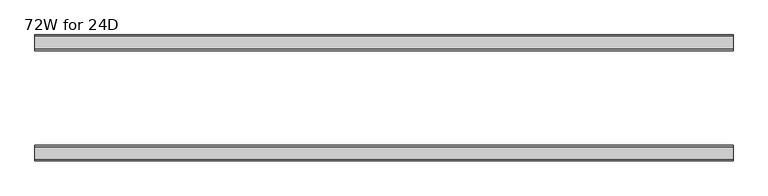
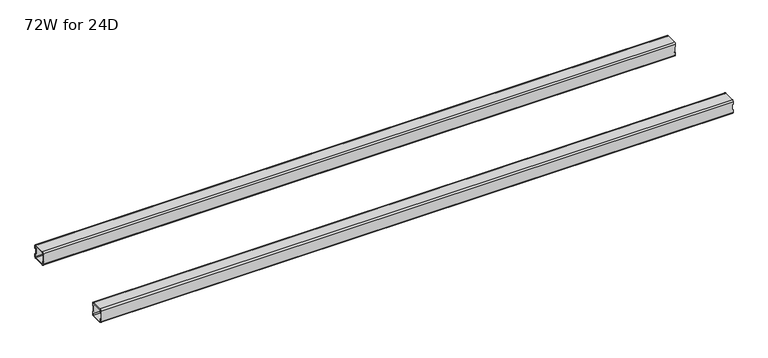
"""IFC4 building model written with IfcOpenShell, lengths in millimetres: furniture geometry, 72W for 24D."""

import ifcopenshell
import ifcopenshell.guid

model = None  # the IFC model being written
_history = None  # IfcOwnerHistory: only IFC2X3 demands one
_inside = {}  # id of a spatial element -> (the spatial element, [elements in it])
_under = {}  # id of a project, library or spatial element -> (it, [spatial elements below it])
_declared = {}  # id of a project -> (the project, [libraries it declares])
_typed = {}  # id of a type object -> (the type object, [elements of that type])
_made_of = {}  # id of a material, layer set ... -> (it, [elements and type objects made of it])


def new_model(schema):
    """Start an empty IFC model of exactly this schema.

    Asked for "IFC4X3", IfcOpenShell would pick the latest addendum, in which some entities
    have other attributes; the version numbers below select the first issue.
    IFC2X3 requires an IfcOwnerHistory on every rooted entity: one is made here for all.
    """
    global model, _history
    if schema == "IFC4X3":
        model = ifcopenshell.file(schema_version=(4, 3, 0, 0))
    else:
        model = ifcopenshell.file(schema=schema)
    _inside.clear()
    _under.clear()
    _declared.clear()
    _typed.clear()
    _made_of.clear()
    _history = None
    if model.schema == "IFC2X3":
        org = make("IfcOrganization", Name="unknown")
        user = make(
            "IfcPersonAndOrganization",
            ThePerson=make("IfcPerson", FamilyName="unknown"),
            TheOrganization=org,
        )
        app = make(
            "IfcApplication",
            ApplicationDeveloper=org,
            Version="unknown",
            ApplicationFullName="unknown",
            ApplicationIdentifier="unknown",
        )
        _history = make(
            "IfcOwnerHistory",
            OwningUser=user,
            OwningApplication=app,
            ChangeAction="ADDED",
            CreationDate=0,
        )
    return model


def make(cls, **values):
    """One entity of the class cls with the attributes given. An attribute that is None is left unset."""
    return model.create_entity(
        cls, **{name: value for name, value in values.items() if value is not None}
    )


def rooted(cls, **values):
    """An entity with a GlobalId (a new one), such as an element, a storey or a relation."""
    return make(cls, GlobalId=ifcopenshell.guid.new(), OwnerHistory=_history, **values)


def si_unit(unit_type, name, prefix=None):
    """IfcSIUnit, for example si_unit("LENGTHUNIT", "METRE", prefix="MILLI")."""
    return make("IfcSIUnit", UnitType=unit_type, Prefix=prefix, Name=name)


def assignment(units):
    """IfcUnitAssignment: the units of a project."""
    return None if units is None else make("IfcUnitAssignment", Units=units)


def point(xyz):
    """IfcCartesianPoint."""
    return None if xyz is None else make("IfcCartesianPoint", Coordinates=xyz)


def direction(xyz):
    """IfcDirection."""
    return None if xyz is None else make("IfcDirection", DirectionRatios=xyz)


def frame(location, z_axis=None, x_axis=None):
    """IfcAxis2Placement3D, a coordinate frame: its origin and axes. An axis left out is left unset."""
    return make(
        "IfcAxis2Placement3D",
        Location=point(location),
        Axis=direction(z_axis),
        RefDirection=direction(x_axis),
    )


def origin():
    """The frame at (0, 0, 0) with its axes left unset."""
    return frame((0.0, 0.0, 0.0))


def place(relative_to, where):
    """IfcLocalPlacement: puts the frame where relative to a parent placement (None: the world)."""
    return make(
        "IfcLocalPlacement", PlacementRelTo=relative_to, RelativePlacement=where
    )


def context(
    kind, dimensions, precision=None, world=None, true_north=None, identifier=None
):
    """IfcGeometricRepresentationContext, for example the 3D "Model" context."""
    return make(
        "IfcGeometricRepresentationContext",
        ContextIdentifier=identifier,
        ContextType=kind,
        CoordinateSpaceDimension=dimensions,
        Precision=precision,
        WorldCoordinateSystem=world,
        TrueNorth=true_north,
    )


def project(units=None, contexts=None):
    """IfcProject with its units and contexts."""
    return rooted(
        "IfcProject",
        Name="project",
        RepresentationContexts=contexts,
        UnitsInContext=assignment(units),
    )


def spatial(cls, under=None, at=None, **own):
    """A site, building, storey or space (cls), placed at a placement, below another one or the project."""
    s = rooted(cls, ObjectPlacement=at, **own)
    if under is not None:
        _under.setdefault(under.id(), (under, []))[1].append(s)
    return s


def polyline(points):
    """IfcPolyline through the points."""
    return make("IfcPolyline", Points=[point(p) for p in points])


def circle_curve(where, radius):
    """IfcCircle in the frame where."""
    return make("IfcCircle", Position=where, Radius=radius)


def shape(context_of_items, identifier, shape_type, items):
    """IfcShapeRepresentation: the items that make up one representation, for example the "Body"."""
    return make(
        "IfcShapeRepresentation",
        ContextOfItems=context_of_items,
        RepresentationIdentifier=identifier,
        RepresentationType=shape_type,
        Items=items,
    )


def source(mapping_origin, context_of_items, identifier, shape_type, items):
    """IfcRepresentationMap: a shape defined once, which mapped items show again and again."""
    return make(
        "IfcRepresentationMap",
        MappingOrigin=mapping_origin,
        MappedRepresentation=shape(context_of_items, identifier, shape_type, items),
    )


def transform(
    local_origin,
    x_axis=None,
    y_axis=None,
    z_axis=None,
    scale=None,
    scale2=None,
    scale3=None,
    uniform=True,
):
    """IfcCartesianTransformationOperator3D, or its non-uniform kind. x_axis, y_axis, z_axis: its Axis1, 2, 3."""
    if uniform:
        return make(
            "IfcCartesianTransformationOperator3D",
            Axis1=direction(x_axis),
            Axis2=direction(y_axis),
            LocalOrigin=point(local_origin),
            Scale=scale,
            Axis3=direction(z_axis),
        )
    return make(
        "IfcCartesianTransformationOperator3DnonUniform",
        Axis1=direction(x_axis),
        Axis2=direction(y_axis),
        LocalOrigin=point(local_origin),
        Scale=scale,
        Axis3=direction(z_axis),
        Scale2=scale2,
        Scale3=scale3,
    )


def mapped(mapping_source, mapping_target):
    """IfcMappedItem: shows the shape of a source again, moved by a transform."""
    return make(
        "IfcMappedItem", MappingSource=mapping_source, MappingTarget=mapping_target
    )


def made_of(thing, what):
    """Note that an element or type object is made of a material, layer set ...; save() writes the relation."""
    if what is not None:
        _made_of.setdefault(what.id(), (what, []))[1].append(thing)
    return thing


def element(
    cls,
    number,
    at=None,
    inside=None,
    cuts=None,
    type_object=None,
    material=None,
    context=None,
    identifier="Body",
    shape_type=None,
    held_by="IfcProductDefinitionShape",
    body=None,
    shapes=None,
    **own,
):
    """One element of the class cls, such as IfcWall. Its Tag is "e" and its number.

    at: its placement. inside: the storey or other place that contains it. cuts: it is an
    opening in that element (IfcRelVoidsElement). A single representation is given by context,
    identifier, shape_type and body (its items); several are given by shapes. held_by: the class
    of the entity that holds the representations. save() writes the other relations.
    """
    e = rooted(cls, Tag="e%d" % number, ObjectPlacement=at, **own)
    if body is not None:
        shapes = [shape(context, identifier, shape_type, body)]
    if shapes is not None:
        e.Representation = make(held_by, Representations=shapes)
    if inside is not None:
        _inside.setdefault(inside.id(), (inside, []))[1].append(e)
    if cuts is not None:
        rooted(
            "IfcRelVoidsElement", RelatingBuildingElement=cuts, RelatedOpeningElement=e
        )
    if type_object is not None:
        _typed.setdefault(type_object.id(), (type_object, []))[1].append(e)
    return made_of(e, material)


def aggregate(whole, parts):
    """IfcRelAggregates: a whole, such as a stair, and the parts it consists of."""
    return rooted("IfcRelAggregates", RelatingObject=whole, RelatedObjects=parts)


def save(model, path):
    """Write the relations noted so far, then the file.

    IfcRelAggregates (storeys below a building ...), IfcRelContainedInSpatialStructure (elements
    in a storey), IfcRelDefinesByType, IfcRelAssociatesMaterial and IfcRelDeclares: one each for
    every whole, place, type object, material and project.
    """
    for whole, parts in _under.values():
        aggregate(whole, parts)
    for where, things in _inside.values():
        rooted(
            "IfcRelContainedInSpatialStructure",
            RelatedElements=things,
            RelatingStructure=where,
        )
    for kind, things in _typed.values():
        rooted("IfcRelDefinesByType", RelatedObjects=things, RelatingType=kind)
    for what, things in _made_of.values():
        rooted("IfcRelAssociatesMaterial", RelatedObjects=things, RelatingMaterial=what)
    for by, libraries in _declared.values():
        rooted("IfcRelDeclares", RelatingContext=by, RelatedDefinitions=libraries)
    model.write(path)


def plane_surface(at):
    """IfcPlane: the flat surface through the origin of the frame at, square to its z axis."""
    return make("IfcPlane", Position=at)


def cylinder_surface(at, radius):
    """IfcCylindricalSurface: all points at the distance radius from the z axis of the frame at."""
    return make("IfcCylindricalSurface", Position=at, Radius=radius)


def revolved_surface(curve, axis_point, axis_direction):
    """IfcSurfaceOfRevolution: the curve turned about the line through axis_point along axis_direction."""
    return make(
        "IfcSurfaceOfRevolution",
        SweptCurve=make("IfcArbitraryOpenProfileDef", ProfileType="CURVE", Curve=curve),
        AxisPosition=make("IfcAxis1Placement", Location=point(axis_point), Axis=direction(axis_direction)),
    )


def advanced_brep(points, edges, surfaces, faces):
    """IfcAdvancedBrep: a solid bounded by faces that lie on surfaces and meet in shared edges.

    An edge is (start, end): straight between two places in points (the first is 0);
    or (start, end, curve); or (start, end, curve, False) where it runs against its curve.
    A face is (place in surfaces, loops), or (place, loops, False) where it looks against
    its surface's normal. A loop lists edges by number (the first is 1), with a minus sign
    where the edge is run from its end to its start. The first loop is the outer one.
    """
    corners = [point(p) for p in points]
    vertices = [make("IfcVertexPoint", VertexGeometry=c) for c in corners]
    made = []
    for start, end, *more in edges:
        made.append(
            make(
                "IfcEdgeCurve",
                EdgeStart=vertices[start],
                EdgeEnd=vertices[end],
                EdgeGeometry=more[0] if more else make("IfcPolyline", Points=[corners[start], corners[end]]),
                SameSense=more[1] if len(more) > 1 else True,
            )
        )
    hull = []
    for where, loops, *sense in faces:
        bounds = []
        for j, loop in enumerate(loops):
            ring = [make("IfcOrientedEdge", EdgeElement=made[abs(k) - 1], Orientation=k > 0) for k in loop]
            bounds.append(
                make(
                    "IfcFaceOuterBound" if j == 0 else "IfcFaceBound",
                    Bound=make("IfcEdgeLoop", EdgeList=ring),
                    Orientation=True,
                )
            )
        hull.append(make("IfcAdvancedFace", Bounds=bounds, FaceSurface=surfaces[where], SameSense=sense[0] if sense else True))
    return make("IfcAdvancedBrep", Outer=make("IfcClosedShell", CfsFaces=hull))


def furniture_72w_for_24d_ca489a4e(model_context):
    return source(origin(), model_context, "Body", "AdvancedBrep", [
        advanced_brep(
        [(1803.8028, -438.5082, 653.351), (1803.8028, -440.5082, 651.351), (1803.8028, -472.5082, 651.351), (1803.8028, -474.5082, 653.351), (1803.8028, -474.5082, 660.851), (1803.8028, -476.5082, 660.851), (1803.8028, -476.5082, 653.351), (1803.8028, -472.5082, 649.351), (1803.8028, -440.5082, 649.351), (1803.8028, -436.5082, 653.351), (1803.8028, -436.5082, 660.851), (1803.8028, -438.5082, 660.851), (1803.8028, -474.5082, 684.975), (1803.8028, -472.5082, 686.975), (1803.8028, -440.5082, 686.975), (1803.8028, -438.5082, 684.975), (1803.8028, -438.5082, 677.475), (1803.8028, -436.5082, 677.475), (1803.8028, -436.5082, 684.975), (1803.8028, -440.5082, 688.975), (1803.8028, -472.5082, 688.975), (1803.8028, -476.5082, 684.975), (1803.8028, -476.5082, 677.475), (1803.8028, -474.5082, 677.475), (22.0, -438.5082, 684.975), (22.0, -440.5082, 686.975), (22.0, -472.5082, 686.975), (22.0, -474.5082, 684.975), (22.0, -474.5082, 677.475), (22.0, -476.5082, 677.475), (22.0, -476.5082, 684.975), (22.0, -472.5082, 688.975), (22.0, -440.5082, 688.975), (22.0, -436.5082, 684.975), (22.0, -436.5082, 677.475), (22.0, -438.5082, 677.475), (22.0, -474.5082, 653.351), (22.0, -472.5082, 651.351), (22.0, -440.5082, 651.351), (22.0, -438.5082, 653.351), (22.0, -438.5082, 660.851), (22.0, -436.5082, 660.851), (22.0, -436.5082, 653.351), (22.0, -440.5082, 649.351), (22.0, -472.5082, 649.351), (22.0, -476.5082, 653.351), (22.0, -476.5082, 660.851), (22.0, -474.5082, 660.851), (23.365, -474.5082, 660.851), (24.0, -474.5082, 661.486), (24.0, -474.5082, 676.84), (23.365, -474.5082, 677.475), (1802.4378, -474.5082, 677.475), (1801.8028, -474.5082, 676.84), (1801.8028, -474.5082, 661.486), (1802.4378, -474.5082, 660.851), (1802.4378, -438.5082, 660.851), (1801.8028, -438.5082, 661.486), (1801.8028, -438.5082, 676.84), (1802.4378, -438.5082, 677.475), (23.365, -438.5082, 677.475), (24.0, -438.5082, 676.84), (24.0, -438.5082, 661.486), (23.365, -438.5082, 660.851), (23.365, -476.5082, 677.475), (24.0, -476.5082, 676.84), (24.0, -476.5082, 661.486), (23.365, -476.5082, 660.851), (1802.4378, -476.5082, 660.851), (1801.8028, -476.5082, 661.486), (1801.8028, -476.5082, 676.84), (1802.4378, -476.5082, 677.475), (1802.4378, -436.5082, 677.475), (1801.8028, -436.5082, 676.84), (1801.8028, -436.5082, 661.486), (1802.4378, -436.5082, 660.851), (23.365, -436.5082, 660.851), (24.0, -436.5082, 661.486), (24.0, -436.5082, 676.84), (23.365, -436.5082, 677.475)],
        [
            (0, 1, circle_curve(frame((1803.8028, -440.5082, 653.351), z_axis=(-1.0, 0.0, 0.0), x_axis=(0.0, 1.0, 0.0)), 2.0)),
            (1, 2),
            (2, 3, circle_curve(frame((1803.8028, -472.5082, 653.351), z_axis=(-1.0, 0.0, 0.0), x_axis=(0.0, 1.0, 0.0)), 2.0)),
            (3, 4),
            (4, 5),
            (5, 6),
            (6, 7, circle_curve(frame((1803.8028, -472.5082, 653.351), z_axis=(1.0, 0.0, 0.0), x_axis=(0.0, 1.0, 0.0)), 4.0)),
            (7, 8),
            (8, 9, circle_curve(frame((1803.8028, -440.5082, 653.351), z_axis=(1.0, 0.0, 0.0), x_axis=(0.0, 1.0, 0.0)), 4.0)),
            (9, 10),
            (10, 11),
            (11, 0),
            (12, 13, circle_curve(frame((1803.8028, -472.5082, 684.975), z_axis=(-1.0, 0.0, 0.0), x_axis=(0.0, 1.0, 0.0)), 2.0)),
            (13, 14),
            (14, 15, circle_curve(frame((1803.8028, -440.5082, 684.975), z_axis=(-1.0, 0.0, 0.0), x_axis=(0.0, 1.0, 0.0)), 2.0)),
            (15, 16),
            (16, 17),
            (17, 18),
            (18, 19, circle_curve(frame((1803.8028, -440.5082, 684.975), z_axis=(1.0, 0.0, 0.0), x_axis=(0.0, 1.0, 0.0)), 4.0)),
            (19, 20),
            (20, 21, circle_curve(frame((1803.8028, -472.5082, 684.975), z_axis=(1.0, 0.0, 0.0), x_axis=(0.0, 1.0, 0.0)), 4.0)),
            (21, 22),
            (22, 23),
            (23, 12),
            (24, 25, circle_curve(frame((22.0, -440.5082, 684.975), z_axis=(1.0, 0.0, 0.0), x_axis=(0.0, 1.0, 0.0)), 2.0)),
            (25, 26),
            (26, 27, circle_curve(frame((22.0, -472.5082, 684.975), z_axis=(1.0, 0.0, 0.0), x_axis=(0.0, 1.0, 0.0)), 2.0)),
            (27, 28),
            (28, 29),
            (29, 30),
            (30, 31, circle_curve(frame((22.0, -472.5082, 684.975), z_axis=(-1.0, 0.0, 0.0), x_axis=(0.0, 1.0, 0.0)), 4.0)),
            (31, 32),
            (32, 33, circle_curve(frame((22.0, -440.5082, 684.975), z_axis=(-1.0, 0.0, 0.0), x_axis=(0.0, 1.0, 0.0)), 4.0)),
            (33, 34),
            (34, 35),
            (35, 24),
            (36, 37, circle_curve(frame((22.0, -472.5082, 653.351), z_axis=(1.0, 0.0, 0.0), x_axis=(0.0, 1.0, 0.0)), 2.0)),
            (37, 38),
            (38, 39, circle_curve(frame((22.0, -440.5082, 653.351), z_axis=(1.0, 0.0, 0.0), x_axis=(0.0, 1.0, 0.0)), 2.0)),
            (39, 40),
            (40, 41),
            (41, 42),
            (42, 43, circle_curve(frame((22.0, -440.5082, 653.351), z_axis=(-1.0, 0.0, 0.0), x_axis=(0.0, 1.0, 0.0)), 4.0)),
            (43, 44),
            (44, 45, circle_curve(frame((22.0, -472.5082, 653.351), z_axis=(-1.0, 0.0, 0.0), x_axis=(0.0, 1.0, 0.0)), 4.0)),
            (45, 46),
            (46, 47),
            (47, 36),
            (0, 39),
            (38, 1),
            (37, 2),
            (36, 3),
            (47, 48),
            (48, 49, circle_curve(frame((23.365, -474.5082, 661.486), z_axis=(0.0, -1.0, 0.0), x_axis=(1.0, 0.0, 0.0)), 0.635)),
            (49, 50),
            (50, 51, circle_curve(frame((23.365, -474.5082, 676.84), z_axis=(0.0, -1.0, 0.0), x_axis=(1.0, 0.0, 0.0)), 0.635)),
            (51, 28),
            (27, 12),
            (23, 52),
            (52, 53, circle_curve(frame((1802.4378, -474.5082, 676.84), z_axis=(0.0, -1.0, 0.0), x_axis=(1.0, 0.0, 0.0)), 0.635)),
            (53, 54),
            (54, 55, circle_curve(frame((1802.4378, -474.5082, 661.486), z_axis=(0.0, -1.0, 0.0), x_axis=(1.0, 0.0, 0.0)), 0.635)),
            (55, 4),
            (26, 13),
            (25, 14),
            (24, 15),
            (11, 56),
            (56, 57, circle_curve(frame((1802.4378, -438.5082, 661.486), z_axis=(0.0, 1.0, 0.0), x_axis=(1.0, 0.0, 0.0)), 0.635)),
            (57, 58),
            (58, 59, circle_curve(frame((1802.4378, -438.5082, 676.84), z_axis=(0.0, 1.0, 0.0), x_axis=(1.0, 0.0, 0.0)), 0.635)),
            (59, 16),
            (35, 60),
            (60, 61, circle_curve(frame((23.365, -438.5082, 676.84), z_axis=(0.0, 1.0, 0.0), x_axis=(1.0, 0.0, 0.0)), 0.635)),
            (61, 62),
            (62, 63, circle_curve(frame((23.365, -438.5082, 661.486), z_axis=(0.0, 1.0, 0.0), x_axis=(1.0, 0.0, 0.0)), 0.635)),
            (63, 40),
            (18, 33),
            (32, 19),
            (31, 20),
            (30, 21),
            (29, 64),
            (64, 65, circle_curve(frame((23.365, -476.5082, 676.84), z_axis=(0.0, 1.0, 0.0), x_axis=(1.0, 0.0, 0.0)), 0.635)),
            (65, 66),
            (66, 67, circle_curve(frame((23.365, -476.5082, 661.486), z_axis=(0.0, 1.0, 0.0), x_axis=(1.0, 0.0, 0.0)), 0.635)),
            (67, 46),
            (45, 6),
            (5, 68),
            (68, 69, circle_curve(frame((1802.4378, -476.5082, 661.486), z_axis=(0.0, 1.0, 0.0), x_axis=(1.0, 0.0, 0.0)), 0.635)),
            (69, 70),
            (70, 71, circle_curve(frame((1802.4378, -476.5082, 676.84), z_axis=(0.0, 1.0, 0.0), x_axis=(1.0, 0.0, 0.0)), 0.635)),
            (71, 22),
            (44, 7),
            (43, 8),
            (42, 9),
            (17, 72),
            (72, 73, circle_curve(frame((1802.4378, -436.5082, 676.84), z_axis=(0.0, -1.0, 0.0), x_axis=(1.0, 0.0, 0.0)), 0.635)),
            (73, 74),
            (74, 75, circle_curve(frame((1802.4378, -436.5082, 661.486), z_axis=(0.0, -1.0, 0.0), x_axis=(1.0, 0.0, 0.0)), 0.635)),
            (75, 10),
            (41, 76),
            (76, 77, circle_curve(frame((23.365, -436.5082, 661.486), z_axis=(0.0, -1.0, 0.0), x_axis=(1.0, 0.0, 0.0)), 0.635)),
            (77, 78),
            (78, 79, circle_curve(frame((23.365, -436.5082, 676.84), z_axis=(0.0, -1.0, 0.0), x_axis=(1.0, 0.0, 0.0)), 0.635)),
            (79, 34),
            (71, 52),
            (59, 72),
            (70, 53),
            (58, 73),
            (69, 54),
            (57, 74),
            (68, 55),
            (56, 75),
            (51, 64),
            (79, 60),
            (67, 48),
            (63, 76),
            (66, 49),
            (62, 77),
            (65, 50),
            (61, 78),
        ],
        [
            plane_surface(frame((1803.8028, -438.5082, 653.351), z_axis=(1.0, 0.0, 0.0), x_axis=(0.0, 0.0, -1.0))),
            plane_surface(frame((22.0, -438.5082, 653.351), z_axis=(-1.0, 0.0, 0.0), x_axis=(0.0, 0.0, 1.0))),
            revolved_surface(polyline([(22.0, -438.5082, 653.351), (1803.8028, -438.5082, 653.351)]), (22.0, -440.5082, 653.351), (-1.0, 0.0, 0.0)),
            plane_surface(frame((1803.8028, -440.5082, 651.351), z_axis=(0.0, -4.868672132139401e-12, 1.0), x_axis=(-1.0, 0.0, 0.0))),
            revolved_surface(polyline([(22.0, -470.5082, 653.351), (1803.8028, -470.5082, 653.351)]), (22.0, -472.5082, 653.351), (-1.0, 0.0, 0.0)),
            plane_surface(frame((1803.8028, -474.5082, 653.351), z_axis=(0.0, 1.0, 0.0), x_axis=(-1.0, 0.0, 0.0))),
            revolved_surface(polyline([(22.0, -470.5082, 684.975), (1803.8028, -470.5082, 684.975)]), (22.0, -472.5082, 684.975), (-1.0, 0.0, 0.0)),
            plane_surface(frame((1803.8028, -472.5082, 686.975), z_axis=(0.0, 0.0, -1.0), x_axis=(-1.0, 0.0, 0.0))),
            revolved_surface(polyline([(22.0, -438.5082, 684.975), (1803.8028, -438.5082, 684.975)]), (22.0, -440.5082, 684.975), (-1.0, 0.0, 0.0)),
            plane_surface(frame((1803.8028, -438.5082, 684.975), z_axis=(0.0, -1.0, 0.0), x_axis=(-1.0, 0.0, 0.0))),
            cylinder_surface(frame((0.0, -440.5082, 684.975), z_axis=(1.0, 0.0, 0.0), x_axis=(0.0, 1.0, 0.0)), 4.0),
            plane_surface(frame((1803.8028, -440.5082, 688.975), z_axis=(0.0, 0.0, 1.0), x_axis=(-1.0, 0.0, 0.0))),
            cylinder_surface(frame((0.0, -472.5082, 684.975), z_axis=(1.0, 0.0, 0.0), x_axis=(0.0, 1.0, 0.0)), 4.0),
            plane_surface(frame((1803.8028, -476.5082, 684.975), z_axis=(0.0, -1.0, 0.0), x_axis=(-1.0, 0.0, 0.0))),
            cylinder_surface(frame((0.0, -472.5082, 653.351), z_axis=(1.0, 0.0, 0.0), x_axis=(0.0, 1.0, 0.0)), 4.0),
            plane_surface(frame((1803.8028, -472.5082, 649.351), z_axis=(0.0, 0.0, -1.0), x_axis=(-1.0, 0.0, 0.0))),
            cylinder_surface(frame((0.0, -440.5082, 653.351), z_axis=(1.0, 0.0, 0.0), x_axis=(0.0, 1.0, 0.0)), 4.0),
            plane_surface(frame((1803.8028, -436.5082, 653.351), z_axis=(0.0, 1.0, -4.917998717621574e-12), x_axis=(-1.0, 0.0, 0.0))),
            plane_surface(frame((1803.8028, -476.5082, 677.475), z_axis=(1.130465684452016e-11, 0.0, -1.0), x_axis=(0.0, 1.0, 0.0))),
            revolved_surface(polyline([(1803.0728, -476.5082, 676.84), (1803.0728, -474.5082, 676.84)]), (1802.4378, -436.5082, 676.84), (0.0, -1.0, 0.0)),
            revolved_surface(polyline([(1803.0728, -438.5082, 676.84), (1803.0728, -436.5082, 676.84)]), (1802.4378, -436.5082, 676.84), (0.0, -1.0, 0.0)),
            plane_surface(frame((1801.8028, -476.5082, 676.84), z_axis=(1.0, 0.0, 0.0), x_axis=(0.0, 1.0, 0.0))),
            revolved_surface(polyline([(1803.0728, -476.5082, 661.486), (1803.0728, -474.5082, 661.486)]), (1802.4378, -436.5082, 661.486), (0.0, -1.0, 0.0)),
            revolved_surface(polyline([(1803.0728, -438.5082, 661.486), (1803.0728, -436.5082, 661.486)]), (1802.4378, -436.5082, 661.486), (0.0, -1.0, 0.0)),
            plane_surface(frame((1802.4378, -476.5082, 660.851), z_axis=(0.0, 0.0, 1.0), x_axis=(0.0, 1.0, 0.0))),
            plane_surface(frame((23.365, -476.5082, 677.475), z_axis=(0.0, 0.0, -1.0), x_axis=(0.0, 1.0, 0.0))),
            plane_surface(frame((22.0, -476.5082, 660.851), z_axis=(-1.1502984157403295e-11, 0.0, 1.0), x_axis=(0.0, 1.0, 0.0))),
            revolved_surface(polyline([(24.0, -476.5082, 661.486), (24.0, -474.5082, 661.486)]), (23.365, -436.5082, 661.486), (0.0, -1.0, 0.0)),
            revolved_surface(polyline([(24.0, -438.5082, 661.486), (24.0, -436.5082, 661.486)]), (23.365, -436.5082, 661.486), (0.0, -1.0, 0.0)),
            plane_surface(frame((24.0, -476.5082, 661.486), z_axis=(-1.0, 0.0, 0.0), x_axis=(0.0, 1.0, 0.0))),
            revolved_surface(polyline([(24.0, -476.5082, 676.84), (24.0, -474.5082, 676.84)]), (23.365, -436.5082, 676.84), (0.0, -1.0, 0.0)),
            revolved_surface(polyline([(24.0, -438.5082, 676.84), (24.0, -436.5082, 676.84)]), (23.365, -436.5082, 676.84), (0.0, -1.0, 0.0)),
        ],
        [
            (0, [[1, 2, 3, 4, 5, 6, 7, 8, 9, 10, 11, 12]]),
            (0, [[13, 14, 15, 16, 17, 18, 19, 20, 21, 22, 23, 24]]),
            (1, [[25, 26, 27, 28, 29, 30, 31, 32, 33, 34, 35, 36]]),
            (1, [[37, 38, 39, 40, 41, 42, 43, 44, 45, 46, 47, 48]]),
            (2, [[-1, 49, -39, 50]]),
            (3, [[-2, -50, -38, 51]]),
            (4, [[-3, -51, -37, 52]]),
            (5, [[-52, -48, 53, 54, 55, 56, 57, -28, 58, -24, 59, 60, 61, 62, 63, -4]]),
            (6, [[-13, -58, -27, 64]]),
            (7, [[-14, -64, -26, 65]]),
            (8, [[-15, -65, -25, 66]]),
            (9, [[-49, -12, 67, 68, 69, 70, 71, -16, -66, -36, 72, 73, 74, 75, 76, -40]]),
            (10, [[-19, 77, -33, 78]]),
            (11, [[-20, -78, -32, 79]]),
            (12, [[-21, -79, -31, 80]]),
            (13, [[-80, -30, 81, 82, 83, 84, 85, -46, 86, -6, 87, 88, 89, 90, 91, -22]]),
            (14, [[-7, -86, -45, 92]]),
            (15, [[-8, -92, -44, 93]]),
            (16, [[-9, -93, -43, 94]]),
            (17, [[-77, -18, 95, 96, 97, 98, 99, -10, -94, -42, 100, 101, 102, 103, 104, -34]]),
            (18, [[105, -59, -23, -91]]),
            (18, [[106, -95, -17, -71]]),
            (19, [[-105, -90, 107, -60]]),
            (20, [[-106, -70, 108, -96]]),
            (21, [[-107, -89, 109, -61]]),
            (21, [[-108, -69, 110, -97]]),
            (22, [[-109, -88, 111, -62]]),
            (23, [[-110, -68, 112, -98]]),
            (24, [[-111, -87, -5, -63]]),
            (24, [[-112, -67, -11, -99]]),
            (25, [[113, -81, -29, -57]]),
            (25, [[114, -72, -35, -104]]),
            (26, [[115, -53, -47, -85]]),
            (26, [[116, -100, -41, -76]]),
            (27, [[-115, -84, 117, -54]]),
            (28, [[-116, -75, 118, -101]]),
            (29, [[-117, -83, 119, -55]]),
            (29, [[-118, -74, 120, -102]]),
            (30, [[-113, -56, -119, -82]]),
            (31, [[-114, -103, -120, -73]]),
        ],
    ),
        advanced_brep(
        [(1803.8028, -192.9996202, 684.975), (1803.8028, -190.9996202, 686.975), (1803.8028, -159.0003798, 686.975), (1803.8028, -157.0003798, 684.975), (1803.8028, -157.0003798, 677.475), (1803.8028, -155.0003798, 677.475), (1803.8028, -155.0003798, 684.975), (1803.8028, -159.0003798, 688.975), (1803.8028, -190.9996202, 688.975), (1803.8028, -194.9996202, 684.975), (1803.8028, -194.9996202, 677.475), (1803.8028, -192.9996202, 677.475), (1803.8028, -157.0003798, 653.351), (1803.8028, -159.0003798, 651.351), (1803.8028, -190.9996202, 651.351), (1803.8028, -192.9996202, 653.351), (1803.8028, -192.9996202, 660.851), (1803.8028, -194.9996202, 660.851), (1803.8028, -194.9996202, 653.351), (1803.8028, -190.9996202, 649.351), (1803.8028, -159.0003798, 649.351), (1803.8028, -155.0003798, 653.351), (1803.8028, -155.0003798, 660.851), (1803.8028, -157.0003798, 660.851), (22.0, -192.9996202, 653.351), (22.0, -190.9996202, 651.351), (22.0, -159.0003798, 651.351), (22.0, -157.0003798, 653.351), (22.0, -157.0003798, 660.851), (22.0, -155.0003798, 660.851), (22.0, -155.0003798, 653.351), (22.0, -159.0003798, 649.351), (22.0, -190.9996202, 649.351), (22.0, -194.9996202, 653.351), (22.0, -194.9996202, 660.851), (22.0, -192.9996202, 660.851), (22.0, -157.0003798, 684.975), (22.0, -159.0003798, 686.975), (22.0, -190.9996202, 686.975), (22.0, -192.9996202, 684.975), (22.0, -192.9996202, 677.475), (22.0, -194.9996202, 677.475), (22.0, -194.9996202, 684.975), (22.0, -190.9996202, 688.975), (22.0, -159.0003798, 688.975), (22.0, -155.0003798, 684.975), (22.0, -155.0003798, 677.475), (22.0, -157.0003798, 677.475), (1802.4378, -157.0003798, 660.851), (1801.8028, -157.0003798, 661.486), (1801.8028, -157.0003798, 676.84), (1802.4378, -157.0003798, 677.475), (23.365, -157.0003798, 677.475), (24.0, -157.0003798, 676.84), (24.0, -157.0003798, 661.486), (23.365, -157.0003798, 660.851), (23.365, -192.9996202, 660.851), (24.0, -192.9996202, 661.486), (24.0, -192.9996202, 676.84), (23.365, -192.9996202, 677.475), (1802.4378, -192.9996202, 677.475), (1801.8028, -192.9996202, 676.84), (1801.8028, -192.9996202, 661.486), (1802.4378, -192.9996202, 660.851), (1802.4378, -155.0003798, 677.475), (1801.8028, -155.0003798, 676.84), (1801.8028, -155.0003798, 661.486), (1802.4378, -155.0003798, 660.851), (23.365, -155.0003798, 660.851), (24.0, -155.0003798, 661.486), (24.0, -155.0003798, 676.84), (23.365, -155.0003798, 677.475), (23.365, -194.9996202, 677.475), (24.0, -194.9996202, 676.84), (24.0, -194.9996202, 661.486), (23.365, -194.9996202, 660.851), (1802.4378, -194.9996202, 660.851), (1801.8028, -194.9996202, 661.486), (1801.8028, -194.9996202, 676.84), (1802.4378, -194.9996202, 677.475)],
        [
            (0, 1, circle_curve(frame((1803.8028, -190.9996202, 684.975), z_axis=(-1.0, 0.0, 0.0), x_axis=(0.0, -1.0, 0.0)), 2.0)),
            (1, 2),
            (2, 3, circle_curve(frame((1803.8028, -159.0003798, 684.975), z_axis=(-1.0, 0.0, 0.0), x_axis=(0.0, -1.0, 0.0)), 2.0)),
            (3, 4),
            (4, 5),
            (5, 6),
            (6, 7, circle_curve(frame((1803.8028, -159.0003798, 684.975), z_axis=(1.0, 0.0, 0.0), x_axis=(0.0, -1.0, 0.0)), 4.0)),
            (7, 8),
            (8, 9, circle_curve(frame((1803.8028, -190.9996202, 684.975), z_axis=(1.0, 0.0, 0.0), x_axis=(0.0, -1.0, 0.0)), 4.0)),
            (9, 10),
            (10, 11),
            (11, 0),
            (12, 13, circle_curve(frame((1803.8028, -159.0003798, 653.351), z_axis=(-1.0, 0.0, 0.0), x_axis=(0.0, -1.0, 0.0)), 2.0)),
            (13, 14),
            (14, 15, circle_curve(frame((1803.8028, -190.9996202, 653.351), z_axis=(-1.0, 0.0, 0.0), x_axis=(0.0, -1.0, 0.0)), 2.0)),
            (15, 16),
            (16, 17),
            (17, 18),
            (18, 19, circle_curve(frame((1803.8028, -190.9996202, 653.351), z_axis=(1.0, 0.0, 0.0), x_axis=(0.0, -1.0, 0.0)), 4.0)),
            (19, 20),
            (20, 21, circle_curve(frame((1803.8028, -159.0003798, 653.351), z_axis=(1.0, 0.0, 0.0), x_axis=(0.0, -1.0, 0.0)), 4.0)),
            (21, 22),
            (22, 23),
            (23, 12),
            (24, 25, circle_curve(frame((22.0, -190.9996202, 653.351), z_axis=(1.0, 0.0, 0.0), x_axis=(0.0, -1.0, 0.0)), 2.0)),
            (25, 26),
            (26, 27, circle_curve(frame((22.0, -159.0003798, 653.351), z_axis=(1.0, 0.0, 0.0), x_axis=(0.0, -1.0, 0.0)), 2.0)),
            (27, 28),
            (28, 29),
            (29, 30),
            (30, 31, circle_curve(frame((22.0, -159.0003798, 653.351), z_axis=(-1.0, 0.0, 0.0), x_axis=(0.0, -1.0, 0.0)), 4.0)),
            (31, 32),
            (32, 33, circle_curve(frame((22.0, -190.9996202, 653.351), z_axis=(-1.0, 0.0, 0.0), x_axis=(0.0, -1.0, 0.0)), 4.0)),
            (33, 34),
            (34, 35),
            (35, 24),
            (36, 37, circle_curve(frame((22.0, -159.0003798, 684.975), z_axis=(1.0, 0.0, 0.0), x_axis=(0.0, -1.0, 0.0)), 2.0)),
            (37, 38),
            (38, 39, circle_curve(frame((22.0, -190.9996202, 684.975), z_axis=(1.0, 0.0, 0.0), x_axis=(0.0, -1.0, 0.0)), 2.0)),
            (39, 40),
            (40, 41),
            (41, 42),
            (42, 43, circle_curve(frame((22.0, -190.9996202, 684.975), z_axis=(-1.0, 0.0, 0.0), x_axis=(0.0, -1.0, 0.0)), 4.0)),
            (43, 44),
            (44, 45, circle_curve(frame((22.0, -159.0003798, 684.975), z_axis=(-1.0, 0.0, 0.0), x_axis=(0.0, -1.0, 0.0)), 4.0)),
            (45, 46),
            (46, 47),
            (47, 36),
            (14, 25),
            (24, 15),
            (13, 26),
            (12, 27),
            (23, 48),
            (48, 49, circle_curve(frame((1802.4378, -157.0003798, 661.486), z_axis=(0.0, 1.0, 0.0), x_axis=(1.0, 0.0, 0.0)), 0.635)),
            (49, 50),
            (50, 51, circle_curve(frame((1802.4378, -157.0003798, 676.84), z_axis=(0.0, 1.0, 0.0), x_axis=(1.0, 0.0, 0.0)), 0.635)),
            (51, 4),
            (3, 36),
            (47, 52),
            (52, 53, circle_curve(frame((23.365, -157.0003798, 676.84), z_axis=(0.0, 1.0, 0.0), x_axis=(1.0, 0.0, 0.0)), 0.635)),
            (53, 54),
            (54, 55, circle_curve(frame((23.365, -157.0003798, 661.486), z_axis=(0.0, 1.0, 0.0), x_axis=(1.0, 0.0, 0.0)), 0.635)),
            (55, 28),
            (2, 37),
            (1, 38),
            (0, 39),
            (35, 56),
            (56, 57, circle_curve(frame((23.365, -192.9996202, 661.486), z_axis=(0.0, -1.0, 0.0), x_axis=(1.0, 0.0, 0.0)), 0.635)),
            (57, 58),
            (58, 59, circle_curve(frame((23.365, -192.9996202, 676.84), z_axis=(0.0, -1.0, 0.0), x_axis=(1.0, 0.0, 0.0)), 0.635)),
            (59, 40),
            (11, 60),
            (60, 61, circle_curve(frame((1802.4378, -192.9996202, 676.84), z_axis=(0.0, -1.0, 0.0), x_axis=(1.0, 0.0, 0.0)), 0.635)),
            (61, 62),
            (62, 63, circle_curve(frame((1802.4378, -192.9996202, 661.486), z_axis=(0.0, -1.0, 0.0), x_axis=(1.0, 0.0, 0.0)), 0.635)),
            (63, 16),
            (8, 43),
            (42, 9),
            (7, 44),
            (6, 45),
            (5, 64),
            (64, 65, circle_curve(frame((1802.4378, -155.0003798, 676.84), z_axis=(0.0, -1.0, 0.0), x_axis=(1.0, 0.0, 0.0)), 0.635)),
            (65, 66),
            (66, 67, circle_curve(frame((1802.4378, -155.0003798, 661.486), z_axis=(0.0, -1.0, 0.0), x_axis=(1.0, 0.0, 0.0)), 0.635)),
            (67, 22),
            (21, 30),
            (29, 68),
            (68, 69, circle_curve(frame((23.365, -155.0003798, 661.486), z_axis=(0.0, -1.0, 0.0), x_axis=(1.0, 0.0, 0.0)), 0.635)),
            (69, 70),
            (70, 71, circle_curve(frame((23.365, -155.0003798, 676.84), z_axis=(0.0, -1.0, 0.0), x_axis=(1.0, 0.0, 0.0)), 0.635)),
            (71, 46),
            (20, 31),
            (19, 32),
            (18, 33),
            (41, 72),
            (72, 73, circle_curve(frame((23.365, -194.9996202, 676.84), z_axis=(0.0, 1.0, 0.0), x_axis=(1.0, 0.0, 0.0)), 0.635)),
            (73, 74),
            (74, 75, circle_curve(frame((23.365, -194.9996202, 661.486), z_axis=(0.0, 1.0, 0.0), x_axis=(1.0, 0.0, 0.0)), 0.635)),
            (75, 34),
            (17, 76),
            (76, 77, circle_curve(frame((1802.4378, -194.9996202, 661.486), z_axis=(0.0, 1.0, 0.0), x_axis=(1.0, 0.0, 0.0)), 0.635)),
            (77, 78),
            (78, 79, circle_curve(frame((1802.4378, -194.9996202, 676.84), z_axis=(0.0, 1.0, 0.0), x_axis=(1.0, 0.0, 0.0)), 0.635)),
            (79, 10),
            (51, 64),
            (79, 60),
            (50, 65),
            (78, 61),
            (49, 66),
            (77, 62),
            (48, 67),
            (76, 63),
            (71, 52),
            (59, 72),
            (55, 68),
            (75, 56),
            (54, 69),
            (74, 57),
            (53, 70),
            (73, 58),
        ],
        [
            plane_surface(frame((1803.8028, -192.9996202, 684.975), z_axis=(1.0, 0.0, 0.0), x_axis=(0.0, 0.0, 1.0))),
            plane_surface(frame((22.0, -192.9996202, 684.975), z_axis=(-1.0, 0.0, 0.0), x_axis=(0.0, 0.0, -1.0))),
            revolved_surface(polyline([(22.0, -192.9996202, 653.351), (1803.8028, -192.9996202, 653.351)]), (22.0, -190.9996202, 653.351), (-1.0, 0.0, 0.0)),
            plane_surface(frame((1803.8028, -159.0003798, 651.351), z_axis=(0.0, 0.0, 1.0), x_axis=(-1.0, 0.0, 0.0))),
            revolved_surface(polyline([(22.0, -161.0003798, 653.351), (1803.8028, -161.0003798, 653.351)]), (22.0, -159.0003798, 653.351), (-1.0, 0.0, 0.0)),
            plane_surface(frame((1803.8028, -157.0003798, 684.975), z_axis=(0.0, -1.0, 0.0), x_axis=(-1.0, 0.0, 0.0))),
            revolved_surface(polyline([(22.0, -161.0003798, 684.975), (1803.8028, -161.0003798, 684.975)]), (22.0, -159.0003798, 684.975), (-1.0, 0.0, 0.0)),
            plane_surface(frame((1803.8028, -190.9996202, 686.975), z_axis=(0.0, 0.0, -1.0), x_axis=(-1.0, 0.0, 0.0))),
            revolved_surface(polyline([(22.0, -192.9996202, 684.975), (1803.8028, -192.9996202, 684.975)]), (22.0, -190.9996202, 684.975), (-1.0, 0.0, 0.0)),
            plane_surface(frame((1803.8028, -192.9996202, 653.351), z_axis=(0.0, 1.0, 0.0), x_axis=(-1.0, 0.0, 0.0))),
            cylinder_surface(frame((0.0, -190.9996202, 684.975), z_axis=(1.0, 0.0, 0.0), x_axis=(0.0, -1.0, 0.0)), 4.0),
            plane_surface(frame((1803.8028, -159.0003798, 688.975), z_axis=(0.0, 0.0, 1.0), x_axis=(-1.0, 0.0, 0.0))),
            cylinder_surface(frame((0.0, -159.0003798, 684.975), z_axis=(1.0, 0.0, 0.0), x_axis=(0.0, -1.0, 0.0)), 4.0),
            plane_surface(frame((1803.8028, -155.0003798, 653.351), z_axis=(0.0, 1.0, 0.0), x_axis=(-1.0, 0.0, 0.0))),
            cylinder_surface(frame((0.0, -159.0003798, 653.351), z_axis=(1.0, 0.0, 0.0), x_axis=(0.0, -1.0, 0.0)), 4.0),
            plane_surface(frame((1803.8028, -190.9996202, 649.351), z_axis=(0.0, 0.0, -1.0), x_axis=(-1.0, 0.0, 0.0))),
            cylinder_surface(frame((0.0, -190.9996202, 653.351), z_axis=(1.0, 0.0, 0.0), x_axis=(0.0, -1.0, 0.0)), 4.0),
            plane_surface(frame((1803.8028, -194.9996202, 684.975), z_axis=(0.0, -1.0, 0.0), x_axis=(-1.0, 0.0, 0.0))),
            plane_surface(frame((1802.4378, -155.0003798, 677.475), z_axis=(-8.46857626692581e-11, 0.0, -1.0), x_axis=(0.0, -1.0, 0.0))),
            revolved_surface(polyline([(1803.0728, -155.0003798, 676.84), (1803.0728, -157.0003798, 676.84)]), (1802.4378, -194.9996202, 676.84), (0.0, 1.0, 0.0)),
            revolved_surface(polyline([(1803.0728, -192.9996202, 676.84), (1803.0728, -194.9996202, 676.84)]), (1802.4378, -194.9996202, 676.84), (0.0, 1.0, 0.0)),
            plane_surface(frame((1801.8028, -155.0003798, 661.486), z_axis=(1.0, 0.0, 6.082928872064027e-12), x_axis=(0.0, -1.0, 0.0))),
            revolved_surface(polyline([(1803.0728, -155.0003798, 661.486), (1803.0728, -157.0003798, 661.486)]), (1802.4378, -194.9996202, 661.486), (0.0, 1.0, 0.0)),
            revolved_surface(polyline([(1803.0728, -192.9996202, 661.486), (1803.0728, -194.9996202, 661.486)]), (1802.4378, -194.9996202, 661.486), (0.0, 1.0, 0.0)),
            plane_surface(frame((1803.8028, -155.0003798, 660.851), z_axis=(0.0, 0.0, 1.0), x_axis=(0.0, -1.0, 0.0))),
            plane_surface(frame((22.0, -155.0003798, 677.475), z_axis=(0.0, 0.0, -1.0), x_axis=(0.0, -1.0, 0.0))),
            plane_surface(frame((23.365, -155.0003798, 660.851), z_axis=(-2.8559133082148777e-11, 0.0, 1.0), x_axis=(0.0, -1.0, 0.0))),
            revolved_surface(polyline([(24.0, -155.0003798, 661.486), (24.0, -157.0003798, 661.486)]), (23.365, -194.9996202, 661.486), (0.0, 1.0, 0.0)),
            revolved_surface(polyline([(24.0, -192.9996202, 661.486), (24.0, -194.9996202, 661.486)]), (23.365, -194.9996202, 661.486), (0.0, 1.0, 0.0)),
            plane_surface(frame((24.0, -155.0003798, 676.84), z_axis=(-1.0, 0.0, 3.414484621396347e-12), x_axis=(0.0, -1.0, 0.0))),
            revolved_surface(polyline([(24.0, -155.0003798, 676.84), (24.0, -157.0003798, 676.84)]), (23.365, -194.9996202, 676.84), (0.0, 1.0, 0.0)),
            revolved_surface(polyline([(24.0, -192.9996202, 676.84), (24.0, -194.9996202, 676.84)]), (23.365, -194.9996202, 676.84), (0.0, 1.0, 0.0)),
        ],
        [
            (0, [[1, 2, 3, 4, 5, 6, 7, 8, 9, 10, 11, 12]]),
            (0, [[13, 14, 15, 16, 17, 18, 19, 20, 21, 22, 23, 24]]),
            (1, [[25, 26, 27, 28, 29, 30, 31, 32, 33, 34, 35, 36]]),
            (1, [[37, 38, 39, 40, 41, 42, 43, 44, 45, 46, 47, 48]]),
            (2, [[-15, 49, -25, 50]]),
            (3, [[-14, 51, -26, -49]]),
            (4, [[-13, 52, -27, -51]]),
            (5, [[-52, -24, 53, 54, 55, 56, 57, -4, 58, -48, 59, 60, 61, 62, 63, -28]]),
            (6, [[-3, 64, -37, -58]]),
            (7, [[-2, 65, -38, -64]]),
            (8, [[-1, 66, -39, -65]]),
            (9, [[-50, -36, 67, 68, 69, 70, 71, -40, -66, -12, 72, 73, 74, 75, 76, -16]]),
            (10, [[-9, 77, -43, 78]]),
            (11, [[-8, 79, -44, -77]]),
            (12, [[-7, 80, -45, -79]]),
            (13, [[-80, -6, 81, 82, 83, 84, 85, -22, 86, -30, 87, 88, 89, 90, 91, -46]]),
            (14, [[-21, 92, -31, -86]]),
            (15, [[-20, 93, -32, -92]]),
            (16, [[-19, 94, -33, -93]]),
            (17, [[-78, -42, 95, 96, 97, 98, 99, -34, -94, -18, 100, 101, 102, 103, 104, -10]]),
            (18, [[105, -81, -5, -57]]),
            (18, [[106, -72, -11, -104]]),
            (19, [[-105, -56, 107, -82]]),
            (20, [[-106, -103, 108, -73]]),
            (21, [[-107, -55, 109, -83]]),
            (21, [[-108, -102, 110, -74]]),
            (22, [[-109, -54, 111, -84]]),
            (23, [[-110, -101, 112, -75]]),
            (24, [[-111, -53, -23, -85]]),
            (24, [[-112, -100, -17, -76]]),
            (25, [[113, -59, -47, -91]]),
            (25, [[114, -95, -41, -71]]),
            (26, [[115, -87, -29, -63]]),
            (26, [[116, -67, -35, -99]]),
            (27, [[-115, -62, 117, -88]]),
            (28, [[-116, -98, 118, -68]]),
            (29, [[-117, -61, 119, -89]]),
            (29, [[-118, -97, 120, -69]]),
            (30, [[-119, -60, -113, -90]]),
            (31, [[-120, -96, -114, -70]]),
        ],
    ),
    ])


if __name__ == "__main__":
    model = new_model("IFC4")
    model_context = context("Model", 3, world=origin())
    ifc_project = project(units=[si_unit("LENGTHUNIT", "METRE", prefix="MILLI")], contexts=[model_context])
    site = spatial("IfcSite", under=ifc_project)
    building = spatial("IfcBuilding", under=site)
    placement = place(None, origin())
    furniture_72w_for_24d_shape = furniture_72w_for_24d_ca489a4e(model_context)
    element("IfcFurniture", 1, ObjectType="72W for 24D", at=placement, inside=building, context=model_context, shape_type="MappedRepresentation", body=[
        mapped(furniture_72w_for_24d_shape, transform((0.0, 0.0, 0.0), x_axis=(1.0, 0.0, 0.0), y_axis=(0.0, 1.0, 0.0), z_axis=(0.0, 0.0, 1.0))),
    ])
    save(model, "model.ifc")
